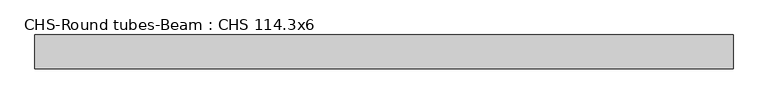
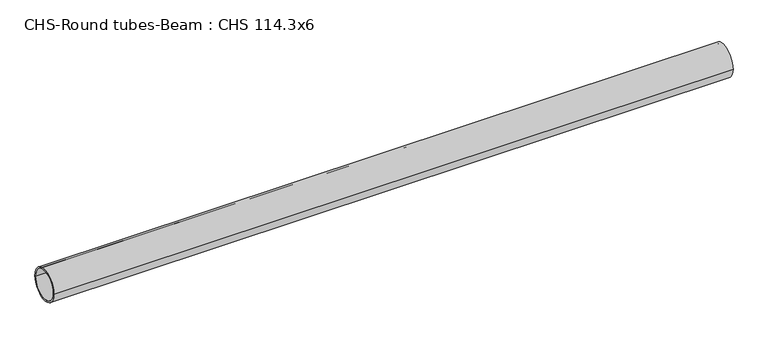
"""IFC4 building model written with IfcOpenShell, lengths in millimetres: beam geometry, CHS-Round tubes-Beam : CHS 114.3x6."""

from ifc_helpers import new_model, si_unit, point, frame, origin, origin_2d, place, context, project, spatial, circle_curve, trimmed, segment, composite_curve, outline, extrude, source, transform, mapped, element, save


def chs_round_tubes_beam_chs_114_3x6_cdaa01b6(model_context):
    return source(origin(), model_context, "Body", "SweptSolid", [
        extrude(outline(composite_curve([segment(trimmed(circle_curve(origin_2d(), 57.15), [point((57.15, 0.0))], [point((-57.15, 0.0))], False, "CARTESIAN"), True, "CONTINUOUS"), segment(trimmed(circle_curve(origin_2d(), 57.15), [point((-57.15, 0.0))], [point((57.15, 0.0))], False, "CARTESIAN"), True, "CONTINUOUS")], self_intersect=False), holes=[composite_curve([segment(trimmed(circle_curve(origin_2d(), 51.15), [point((51.15, 0.0))], [point((-51.15, 0.0))], True, "CARTESIAN"), True, "CONTINUOUS"), segment(trimmed(circle_curve(origin_2d(), 51.15), [point((-51.15, 0.0))], [point((51.15, 0.0))], True, "CARTESIAN"), True, "CONTINUOUS")], self_intersect=False)]), frame((-1142.8081071, 0.0, 0.0), z_axis=(1.0, 0.0, 0.0), x_axis=(0.0, 1.0, 0.0)), (0.0, 0.0, 1.0), 2368.9024313),
    ])


if __name__ == "__main__":
    model = new_model("IFC4")
    model_context = context("Model", 3, world=origin())
    ifc_project = project(units=[si_unit("LENGTHUNIT", "METRE", prefix="MILLI")], contexts=[model_context])
    site = spatial("IfcSite", under=ifc_project)
    building = spatial("IfcBuilding", under=site)
    placement = place(None, origin())
    chs_round_tubes_beam_chs_114_3x6_shape = chs_round_tubes_beam_chs_114_3x6_cdaa01b6(model_context)
    element("IfcBeam", 1, ObjectType="CHS-Round tubes-Beam : CHS 114.3x6", at=placement, inside=building, context=model_context, shape_type="MappedRepresentation", body=[
        mapped(chs_round_tubes_beam_chs_114_3x6_shape, transform((0.0, 0.0, 0.0), x_axis=(1.0, 0.0, 0.0), y_axis=(0.0, 1.0, 0.0), z_axis=(0.0, 0.0, 1.0))),
    ])
    save(model, "model.ifc")
